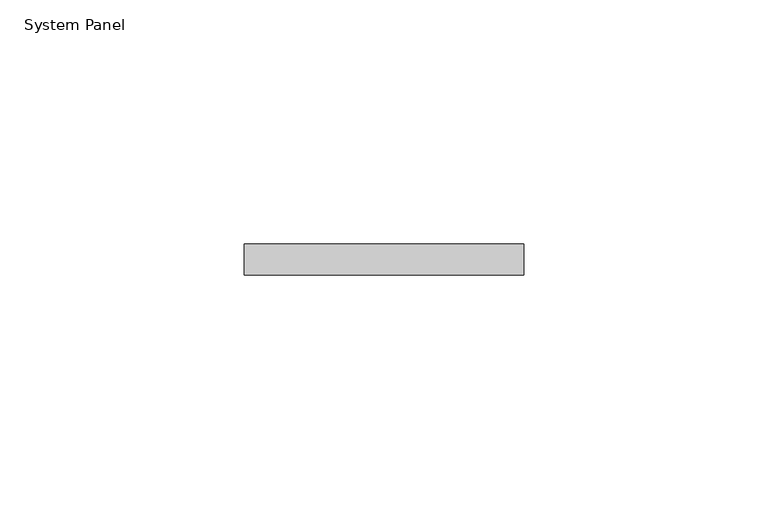
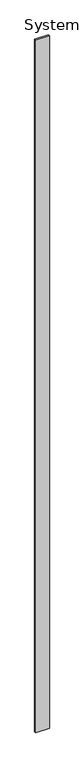
"""IFC4 building model written with IfcOpenShell, lengths in millimetres: plate geometry, System Panel."""

import ifcopenshell
import ifcopenshell.guid

model = None  # the IFC model being written
_history = None  # IfcOwnerHistory: only IFC2X3 demands one
_inside = {}  # id of a spatial element -> (the spatial element, [elements in it])
_under = {}  # id of a project, library or spatial element -> (it, [spatial elements below it])
_declared = {}  # id of a project -> (the project, [libraries it declares])
_typed = {}  # id of a type object -> (the type object, [elements of that type])
_made_of = {}  # id of a material, layer set ... -> (it, [elements and type objects made of it])


def new_model(schema):
    """Start an empty IFC model of exactly this schema.

    Asked for "IFC4X3", IfcOpenShell would pick the latest addendum, in which some entities
    have other attributes; the version numbers below select the first issue.
    IFC2X3 requires an IfcOwnerHistory on every rooted entity: one is made here for all.
    """
    global model, _history
    if schema == "IFC4X3":
        model = ifcopenshell.file(schema_version=(4, 3, 0, 0))
    else:
        model = ifcopenshell.file(schema=schema)
    _inside.clear()
    _under.clear()
    _declared.clear()
    _typed.clear()
    _made_of.clear()
    _history = None
    if model.schema == "IFC2X3":
        org = make("IfcOrganization", Name="unknown")
        user = make(
            "IfcPersonAndOrganization",
            ThePerson=make("IfcPerson", FamilyName="unknown"),
            TheOrganization=org,
        )
        app = make(
            "IfcApplication",
            ApplicationDeveloper=org,
            Version="unknown",
            ApplicationFullName="unknown",
            ApplicationIdentifier="unknown",
        )
        _history = make(
            "IfcOwnerHistory",
            OwningUser=user,
            OwningApplication=app,
            ChangeAction="ADDED",
            CreationDate=0,
        )
    return model


def make(cls, **values):
    """One entity of the class cls with the attributes given. An attribute that is None is left unset."""
    return model.create_entity(
        cls, **{name: value for name, value in values.items() if value is not None}
    )


def rooted(cls, **values):
    """An entity with a GlobalId (a new one), such as an element, a storey or a relation."""
    return make(cls, GlobalId=ifcopenshell.guid.new(), OwnerHistory=_history, **values)


def si_unit(unit_type, name, prefix=None):
    """IfcSIUnit, for example si_unit("LENGTHUNIT", "METRE", prefix="MILLI")."""
    return make("IfcSIUnit", UnitType=unit_type, Prefix=prefix, Name=name)


def assignment(units):
    """IfcUnitAssignment: the units of a project."""
    return None if units is None else make("IfcUnitAssignment", Units=units)


def point(xyz):
    """IfcCartesianPoint."""
    return None if xyz is None else make("IfcCartesianPoint", Coordinates=xyz)


def direction(xyz):
    """IfcDirection."""
    return None if xyz is None else make("IfcDirection", DirectionRatios=xyz)


def frame(location, z_axis=None, x_axis=None):
    """IfcAxis2Placement3D, a coordinate frame: its origin and axes. An axis left out is left unset."""
    return make(
        "IfcAxis2Placement3D",
        Location=point(location),
        Axis=direction(z_axis),
        RefDirection=direction(x_axis),
    )


def origin():
    """The frame at (0, 0, 0) with its axes left unset."""
    return frame((0.0, 0.0, 0.0))


def origin_with_axes():
    """The frame at (0, 0, 0) with the z axis (0, 0, 1) and the x axis (1, 0, 0) written out."""
    return frame((0.0, 0.0, 0.0), z_axis=(0.0, 0.0, 1.0), x_axis=(1.0, 0.0, 0.0))


def place(relative_to, where):
    """IfcLocalPlacement: puts the frame where relative to a parent placement (None: the world)."""
    return make(
        "IfcLocalPlacement", PlacementRelTo=relative_to, RelativePlacement=where
    )


def context(
    kind, dimensions, precision=None, world=None, true_north=None, identifier=None
):
    """IfcGeometricRepresentationContext, for example the 3D "Model" context."""
    return make(
        "IfcGeometricRepresentationContext",
        ContextIdentifier=identifier,
        ContextType=kind,
        CoordinateSpaceDimension=dimensions,
        Precision=precision,
        WorldCoordinateSystem=world,
        TrueNorth=true_north,
    )


def project(units=None, contexts=None):
    """IfcProject with its units and contexts."""
    return rooted(
        "IfcProject",
        Name="project",
        RepresentationContexts=contexts,
        UnitsInContext=assignment(units),
    )


def spatial(cls, under=None, at=None, **own):
    """A site, building, storey or space (cls), placed at a placement, below another one or the project."""
    s = rooted(cls, ObjectPlacement=at, **own)
    if under is not None:
        _under.setdefault(under.id(), (under, []))[1].append(s)
    return s


def polyline(points):
    """IfcPolyline through the points."""
    return make("IfcPolyline", Points=[point(p) for p in points])


def outline(outer, holes=None, kind="AREA"):
    """IfcArbitraryClosedProfileDef: a profile drawn as a closed curve; with holes, ...WithVoids."""
    if holes is None:
        return make("IfcArbitraryClosedProfileDef", ProfileType=kind, OuterCurve=outer)
    return make(
        "IfcArbitraryProfileDefWithVoids",
        ProfileType=kind,
        OuterCurve=outer,
        InnerCurves=holes,
    )


def extrude(swept, where, along, depth):
    """IfcExtrudedAreaSolid: the profile swept, set in the frame where, extruded along a direction by depth."""
    return make(
        "IfcExtrudedAreaSolid",
        SweptArea=swept,
        Position=where,
        ExtrudedDirection=direction(along),
        Depth=depth,
    )


def shape(context_of_items, identifier, shape_type, items):
    """IfcShapeRepresentation: the items that make up one representation, for example the "Body"."""
    return make(
        "IfcShapeRepresentation",
        ContextOfItems=context_of_items,
        RepresentationIdentifier=identifier,
        RepresentationType=shape_type,
        Items=items,
    )


def source(mapping_origin, context_of_items, identifier, shape_type, items):
    """IfcRepresentationMap: a shape defined once, which mapped items show again and again."""
    return make(
        "IfcRepresentationMap",
        MappingOrigin=mapping_origin,
        MappedRepresentation=shape(context_of_items, identifier, shape_type, items),
    )


def transform(
    local_origin,
    x_axis=None,
    y_axis=None,
    z_axis=None,
    scale=None,
    scale2=None,
    scale3=None,
    uniform=True,
):
    """IfcCartesianTransformationOperator3D, or its non-uniform kind. x_axis, y_axis, z_axis: its Axis1, 2, 3."""
    if uniform:
        return make(
            "IfcCartesianTransformationOperator3D",
            Axis1=direction(x_axis),
            Axis2=direction(y_axis),
            LocalOrigin=point(local_origin),
            Scale=scale,
            Axis3=direction(z_axis),
        )
    return make(
        "IfcCartesianTransformationOperator3DnonUniform",
        Axis1=direction(x_axis),
        Axis2=direction(y_axis),
        LocalOrigin=point(local_origin),
        Scale=scale,
        Axis3=direction(z_axis),
        Scale2=scale2,
        Scale3=scale3,
    )


def mapped(mapping_source, mapping_target):
    """IfcMappedItem: shows the shape of a source again, moved by a transform."""
    return make(
        "IfcMappedItem", MappingSource=mapping_source, MappingTarget=mapping_target
    )


def made_of(thing, what):
    """Note that an element or type object is made of a material, layer set ...; save() writes the relation."""
    if what is not None:
        _made_of.setdefault(what.id(), (what, []))[1].append(thing)
    return thing


def element(
    cls,
    number,
    at=None,
    inside=None,
    cuts=None,
    type_object=None,
    material=None,
    context=None,
    identifier="Body",
    shape_type=None,
    held_by="IfcProductDefinitionShape",
    body=None,
    shapes=None,
    **own,
):
    """One element of the class cls, such as IfcWall. Its Tag is "e" and its number.

    at: its placement. inside: the storey or other place that contains it. cuts: it is an
    opening in that element (IfcRelVoidsElement). A single representation is given by context,
    identifier, shape_type and body (its items); several are given by shapes. held_by: the class
    of the entity that holds the representations. save() writes the other relations.
    """
    e = rooted(cls, Tag="e%d" % number, ObjectPlacement=at, **own)
    if body is not None:
        shapes = [shape(context, identifier, shape_type, body)]
    if shapes is not None:
        e.Representation = make(held_by, Representations=shapes)
    if inside is not None:
        _inside.setdefault(inside.id(), (inside, []))[1].append(e)
    if cuts is not None:
        rooted(
            "IfcRelVoidsElement", RelatingBuildingElement=cuts, RelatedOpeningElement=e
        )
    if type_object is not None:
        _typed.setdefault(type_object.id(), (type_object, []))[1].append(e)
    return made_of(e, material)


def aggregate(whole, parts):
    """IfcRelAggregates: a whole, such as a stair, and the parts it consists of."""
    return rooted("IfcRelAggregates", RelatingObject=whole, RelatedObjects=parts)


def save(model, path):
    """Write the relations noted so far, then the file.

    IfcRelAggregates (storeys below a building ...), IfcRelContainedInSpatialStructure (elements
    in a storey), IfcRelDefinesByType, IfcRelAssociatesMaterial and IfcRelDeclares: one each for
    every whole, place, type object, material and project.
    """
    for whole, parts in _under.values():
        aggregate(whole, parts)
    for where, things in _inside.values():
        rooted(
            "IfcRelContainedInSpatialStructure",
            RelatedElements=things,
            RelatingStructure=where,
        )
    for kind, things in _typed.values():
        rooted("IfcRelDefinesByType", RelatedObjects=things, RelatingType=kind)
    for what, things in _made_of.values():
        rooted("IfcRelAssociatesMaterial", RelatedObjects=things, RelatingMaterial=what)
    for by, libraries in _declared.values():
        rooted("IfcRelDeclares", RelatingContext=by, RelatedDefinitions=libraries)
    model.write(path)


def system_panel_45168785(model_context):
    return source(origin(), model_context, "Body", "SweptSolid", [
        extrude(outline(polyline([(28.575, -6.35), (-28.575, -6.35), (-28.575, 0.0), (28.575, 0.0), (28.575, -6.35)])), origin_with_axes(), (0.0, 0.0, 1.0), 3048.0),
    ])


if __name__ == "__main__":
    model = new_model("IFC4")
    model_context = context("Model", 3, world=origin())
    ifc_project = project(units=[si_unit("LENGTHUNIT", "METRE", prefix="MILLI")], contexts=[model_context])
    site = spatial("IfcSite", under=ifc_project)
    building = spatial("IfcBuilding", under=site)
    placement = place(None, origin())
    system_panel_shape = system_panel_45168785(model_context)
    element("IfcPlate", 1, ObjectType="System Panel", at=placement, inside=building, context=model_context, shape_type="MappedRepresentation", body=[
        mapped(system_panel_shape, transform((0.0, 0.0, 0.0), x_axis=(1.0, 0.0, 0.0), y_axis=(0.0, 1.0, 0.0), z_axis=(0.0, 0.0, 1.0))),
    ])
    save(model, "model.ifc")
